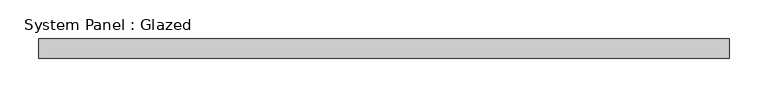
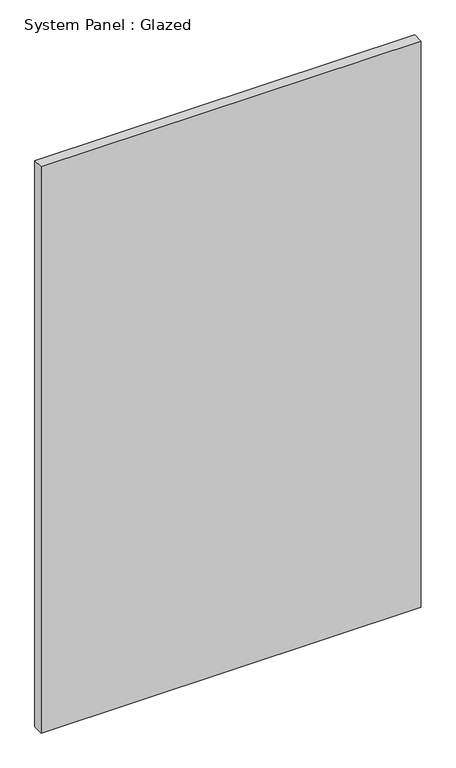
"""IFC4 building model written with IfcOpenShell, lengths in millimetres: plate geometry, System Panel : Glazed."""

from ifc_helpers import new_model, si_unit, origin, origin_with_axes, place, context, project, spatial, polyline, outline, extrude, source, transform, mapped, element, save


def system_panel_glazed_7a710ad9(model_context):
    return source(origin(), model_context, "Body", "SweptSolid", [
        extrude(outline(polyline([(447.675, -44.45), (-447.675, -44.45), (-447.675, -19.05), (447.675, -19.05), (447.675, -44.45)])), origin_with_axes(), (0.0, 0.0, 1.0), 1409.7),
    ])


if __name__ == "__main__":
    model = new_model("IFC4")
    model_context = context("Model", 3, world=origin())
    ifc_project = project(units=[si_unit("LENGTHUNIT", "METRE", prefix="MILLI")], contexts=[model_context])
    site = spatial("IfcSite", under=ifc_project)
    building = spatial("IfcBuilding", under=site)
    placement = place(None, origin())
    system_panel_glazed_shape = system_panel_glazed_7a710ad9(model_context)
    element("IfcPlate", 1, ObjectType="System Panel : Glazed", at=placement, inside=building, context=model_context, shape_type="MappedRepresentation", body=[
        mapped(system_panel_glazed_shape, transform((0.0, 0.0, 0.0), x_axis=(1.0, 0.0, 0.0), y_axis=(0.0, 1.0, 0.0), z_axis=(0.0, 0.0, 1.0))),
    ])
    save(model, "model.ifc")
